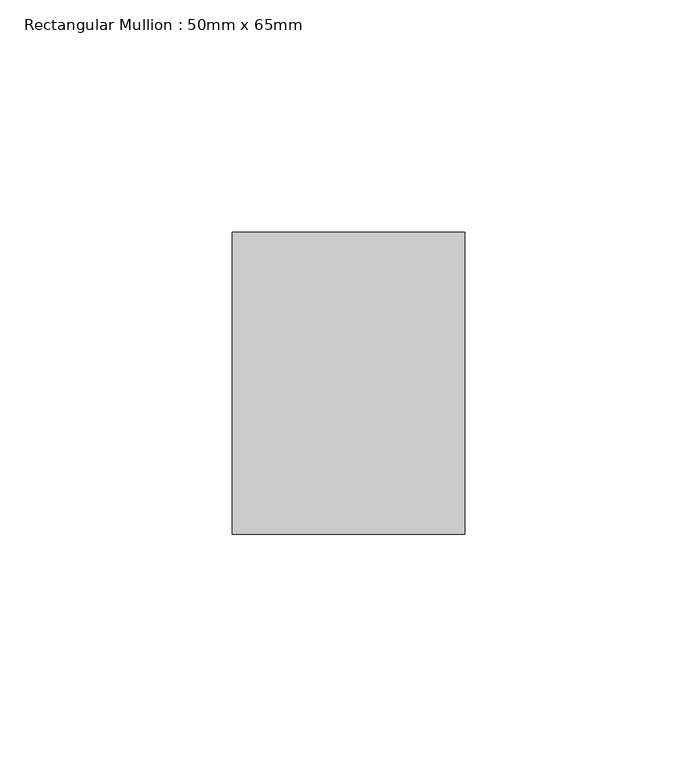
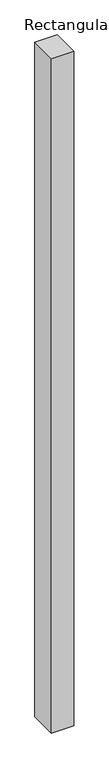
"""IFC4 building model written with IfcOpenShell, lengths in millimetres: member geometry, Rectangular Mullion : 50mm x 65mm."""

from ifc_helpers import new_model, si_unit, frame, origin, place, context, project, spatial, polyline, outline, extrude, source, transform, mapped, element, save


def rectangular_mullion_50mm_x_65mm_ed06d759(model_context):
    return source(origin(), model_context, "Body", "SweptSolid", [
        extrude(outline(polyline([(25.0, 32.5), (25.0, -32.5), (-25.0, -32.5), (-25.0, 32.5), (25.0, 32.5)])), frame((0.0, 0.0, -1612.9641858), z_axis=(0.0, 0.0, 1.0), x_axis=(1.0, 0.0, 0.0)), (0.0, 0.0, 1.0), 1612.9641858),
    ])


if __name__ == "__main__":
    model = new_model("IFC4")
    model_context = context("Model", 3, world=origin())
    ifc_project = project(units=[si_unit("LENGTHUNIT", "METRE", prefix="MILLI")], contexts=[model_context])
    site = spatial("IfcSite", under=ifc_project)
    building = spatial("IfcBuilding", under=site)
    placement = place(None, origin())
    rectangular_mullion_50mm_x_65mm_shape = rectangular_mullion_50mm_x_65mm_ed06d759(model_context)
    element("IfcMember", 1, ObjectType="Rectangular Mullion : 50mm x 65mm", at=placement, inside=building, context=model_context, shape_type="MappedRepresentation", body=[
        mapped(rectangular_mullion_50mm_x_65mm_shape, transform((0.0, 0.0, 0.0), x_axis=(1.0, 0.0, 0.0), y_axis=(0.0, 1.0, 0.0), z_axis=(0.0, 0.0, 1.0))),
    ])
    save(model, "model.ifc")
